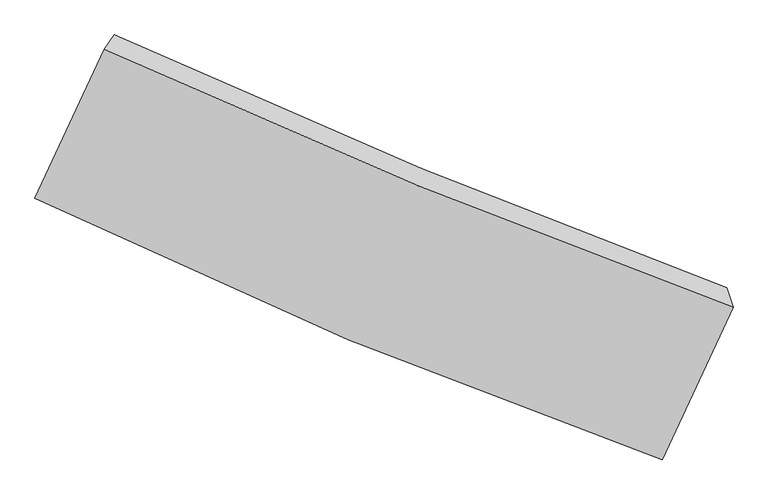
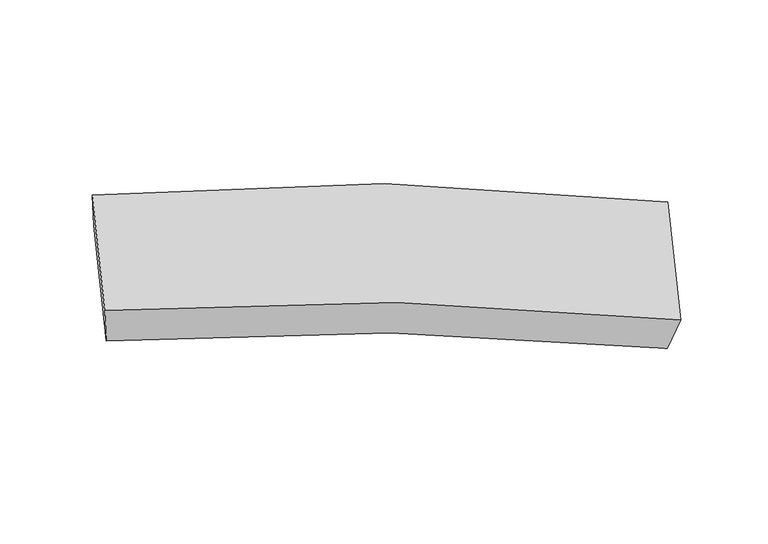
"""IFC4 building model written with IfcOpenShell, lengths in millimetres: proxy geometry."""

from ifc_helpers import new_model, si_unit, frame, origin, place, context, project, spatial, source, transform, mapped, element, save
from ifc_brep_helpers import plane_surface, spline_curve, spline_surface, advanced_brep


def generic_models_e179f7fe(model_context):
    return source(origin(), model_context, "Body", "AdvancedBrep", [
        advanced_brep(
        [(950.3001916, -1886.1781468, 1351.0915541), (1194.3725491, -1360.7749879, 1528.6156841), (-973.5582845, -470.4721852, 1783.9327823), (-1212.714301, -985.2921665, 1609.9845147), (1172.2430582, -1292.2945447, 1356.3650487), (-939.3419333, -421.5118355, 1591.9859865), (928.1707008, -1817.6977036, 1178.8409187), (-1178.4979498, -936.3318168, 1418.0377189)],
        [
            (0, 1),
            (1, 2, spline_curve(3, [(1194.3725491, -1360.7749879, 1528.6156841), (833.797442421, -1230.610066245, 1630.755497228), (473.266110086, -1091.527688771, 1703.121611709), (-249.377907348, -794.842846937, 1788.503627976), (-611.49018623, -637.157623508, 1801.24321289), (-973.5582845, -470.4721852, 1783.9327823)], [4, 2, 4], [0.0, 0.4988452809254134, 1.0])),
            (2, 3),
            (3, 0, spline_curve(3, [(-1212.714301, -985.2921665, 1609.9845147), (-853.962532692, -1159.116513354, 1624.882838497), (-493.91617891, -1321.248957302, 1610.640619058), (227.100555956, -1621.436774302, 1524.075011458), (588.059033071, -1759.599657129, 1452.019577377), (950.3001916, -1886.1781468, 1351.0915541)], [4, 2, 4], [0.0, 0.5011547190745866, 1.0])),
            (1, 4),
            (4, 5, spline_curve(3, [(1172.2430582, -1292.2945447, 1356.3650487), (820.541217045, -1162.922716106, 1448.652537897), (469.130587723, -1025.856970733, 1514.447339505), (-234.733778743, -735.667471567, 1593.233519305), (-587.184813233, -582.472313914, 1605.979030309), (-939.3419333, -421.5118355, 1591.9859865)], [4, 2, 4], [0.0, 0.4988452809254134, 1.0])),
            (5, 2),
            (4, 6),
            (6, 7, spline_curve(3, [(928.1707008, -1817.6977036, 1178.8409187), (574.802807778, -1691.91230699, 1269.916618045), (222.965033578, -1555.766056248, 1335.400739253), (-479.272050289, -1262.073581948, 1415.370510387), (-829.657159695, -1104.431203761, 1429.618655916), (-1178.4979498, -936.3318168, 1418.0377189)], [4, 2, 4], [0.0, 0.4988452809254134, 1.0])),
            (7, 5),
            (6, 0),
            (3, 7),
        ],
        [
            spline_surface(3, 3, [[(950.3001916, -1886.1781468, 1351.0915541), (588.059033066, -1759.599657135, 1452.019577373), (227.100555956, -1621.4367743, 1524.075011464), (-493.91617891, -1321.248957304, 1610.640619052), (-853.962532695, -1159.116513348, 1624.882838491), (-1212.714301, -985.2921665, 1609.9845147)], [(1031.657644096, -1711.043760512, 1410.266264098), (669.971836181, -1583.269793519, 1511.598217323), (309.155740675, -1444.800412458, 1583.757211566), (-412.403421716, -1145.78025385, 1669.928288714), (-773.138417218, -985.130216739, 1683.669629959), (-1132.995628843, -813.68550607, 1667.967270571)], [(1113.015096604, -1535.909374188, 1469.440974102), (751.884639309, -1406.939929867, 1571.176857277), (391.210925371, -1268.164050612, 1643.439411607), (-330.890664546, -970.311550392, 1729.215958315), (-692.314301713, -811.14392012, 1742.456421414), (-1053.276956657, -642.07884563, 1725.950026429)], [(1194.3725491, -1360.7749879, 1528.6156841), (833.797442424, -1230.610066251, 1630.755497228), (473.26611009, -1091.527688771, 1703.121611708), (-249.377907352, -794.842846937, 1788.503627977), (-611.490186236, -637.157623511, 1801.243212882), (-973.5582845, -470.4721852, 1783.9327823)]], [4, 4], [4, 2, 4], [0.0, 1.0], [0.0, 0.4988452809254134, 1.0]),
            spline_surface(3, 3, [[(1194.3725491, -1360.7749879, 1528.6156841), (833.797442424, -1230.610066251, 1630.755497228), (473.26611009, -1091.527688771, 1703.121611708), (-249.377907352, -794.842846937, 1788.503627977), (-611.490186236, -637.157623511, 1801.243212882), (-973.5582845, -470.4721852, 1783.9327823)], [(1186.996052161, -1337.948173497, 1471.198805637), (829.378700657, -1208.047616202, 1570.054510789), (471.88760262, -1069.637449405, 1640.230187634), (-244.496531159, -775.117721798, 1723.413591752), (-603.388395225, -618.92918696, 1736.155152024), (-962.152834091, -454.152068614, 1719.950517033)], [(1179.619555139, -1315.121359103, 1413.781927163), (824.959958806, -1185.485166161, 1509.35352434), (470.509095187, -1047.747210093, 1577.338763571), (-239.61515493, -755.392596712, 1658.323555538), (-595.286604241, -600.700750466, 1671.067091168), (-950.747383709, -437.831952086, 1655.968251767)], [(1172.2430582, -1292.2945447, 1356.3650487), (820.541217038, -1162.922716112, 1448.652537901), (469.130587717, -1025.856970727, 1514.447339497), (-234.733778737, -735.667471573, 1593.233519313), (-587.18481323, -582.472313916, 1605.97903031), (-939.3419333, -421.5118355, 1591.9859865)]], [4, 4], [4, 2, 4], [0.0, 1.0], [0.0, 0.4988452809254134, 1.0]),
            spline_surface(3, 3, [[(1172.2430582, -1292.2945447, 1356.3650487), (820.541217038, -1162.922716112, 1448.652537901), (469.130587717, -1025.856970727, 1514.447339497), (-234.733778737, -735.667471573, 1593.233519313), (-587.18481323, -582.472313916, 1605.97903031), (-939.3419333, -421.5118355, 1591.9859865)], [(1090.885605704, -1467.428930988, 1297.190338702), (738.628413923, -1339.252579728, 1389.073897951), (387.075402998, -1202.493332569, 1454.765139395), (-316.246535931, -911.136175027, 1533.945849651), (-668.008928707, -756.458610525, 1547.192238842), (-1019.060605457, -593.11849593, 1534.003230629)], [(1009.528153296, -1642.563317312, 1238.015628698), (656.715610895, -1515.582443379, 1329.495257996), (305.020218302, -1379.129694414, 1395.082939354), (-397.7592931, -1086.604878485, 1474.65818005), (-748.833044212, -930.444907144, 1488.405447387), (-1098.779277643, -764.72515637, 1476.020474771)], [(928.1707008, -1817.6977036, 1178.8409187), (574.80280778, -1691.912306995, 1269.916618046), (222.965033583, -1555.766056256, 1335.400739252), (-479.272050294, -1262.07358194, 1415.370510388), (-829.657159689, -1104.431203753, 1429.61865592), (-1178.4979498, -936.3318168, 1418.0377189)]], [4, 4], [4, 2, 4], [0.0, 1.0], [0.0, 0.4988452809254134, 1.0]),
            spline_surface(3, 3, [[(928.1707008, -1817.6977036, 1178.8409187), (574.80280778, -1691.912306995, 1269.916618046), (222.965033583, -1555.766056256, 1335.400739252), (-479.272050294, -1262.07358194, 1415.370510388), (-829.657159689, -1104.431203753, 1429.61865592), (-1178.4979498, -936.3318168, 1418.0377189)], [(935.547197739, -1840.524518003, 1236.257797163), (579.221549548, -1714.474757045, 1330.617604485), (224.343541053, -1577.656295622, 1398.292163327), (-484.153426487, -1281.798707079, 1480.460546614), (-837.7589507, -1122.659640303, 1494.706716777), (-1189.903400209, -952.651933386, 1482.019984167)], [(942.923694661, -1863.351332397, 1293.674675637), (583.640291298, -1737.037207085, 1391.318590934), (225.722048486, -1599.546534934, 1461.183587389), (-489.034802717, -1301.523832165, 1545.550582827), (-845.860741684, -1140.888076797, 1559.794777634), (-1201.308850591, -968.972049914, 1546.002249433)], [(950.3001916, -1886.1781468, 1351.0915541), (588.059033066, -1759.599657135, 1452.019577373), (227.100555956, -1621.4367743, 1524.075011464), (-493.91617891, -1321.248957304, 1610.640619052), (-853.962532695, -1159.116513348, 1624.882838491), (-1212.714301, -985.2921665, 1609.9845147)]], [4, 4], [4, 2, 4], [0.0, 1.0], [0.0, 0.4988452809254134, 1.0]),
            plane_surface(frame((-1076.0281171, -703.402001, 1600.9852506), z_axis=(-0.8993157883458482, 0.4344909117708919, -0.04948495145379779), x_axis=(0.40281527522402505, 0.8671216200797297, 0.29298455596924877))),
            plane_surface(frame((1061.2716249, -1589.2363458, 1353.7283014), z_axis=(0.9075723757939239, -0.3369480270587508, -0.2505562007953267), x_axis=(-0.11854213066216443, 0.3668325545143488, -0.9227034410939149))),
        ],
        [
            (0, [[1, 2, 3, 4]]),
            (1, [[5, 6, 7, -2]]),
            (2, [[8, 9, 10, -6]]),
            (3, [[11, -4, 12, -9]]),
            (4, [[-3, -7, -10, -12]]),
            (5, [[-11, -8, -5, -1]]),
        ],
    ),
    ])


if __name__ == "__main__":
    model = new_model("IFC4")
    model_context = context("Model", 3, world=origin())
    ifc_project = project(units=[si_unit("LENGTHUNIT", "METRE", prefix="MILLI")], contexts=[model_context])
    site = spatial("IfcSite", under=ifc_project)
    building = spatial("IfcBuilding", under=site)
    placement = place(None, origin())
    generic_models_shape = generic_models_e179f7fe(model_context)
    element("IfcBuildingElementProxy", 1, Name="Generic Models", at=placement, inside=building, context=model_context, shape_type="MappedRepresentation", body=[
        mapped(generic_models_shape, transform((0.0, 0.0, 0.0), x_axis=(1.0, 0.0, 0.0), y_axis=(0.0, 1.0, 0.0), z_axis=(0.0, 0.0, 1.0))),
    ])
    save(model, "model.ifc")
